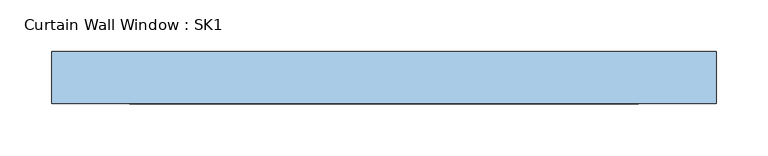
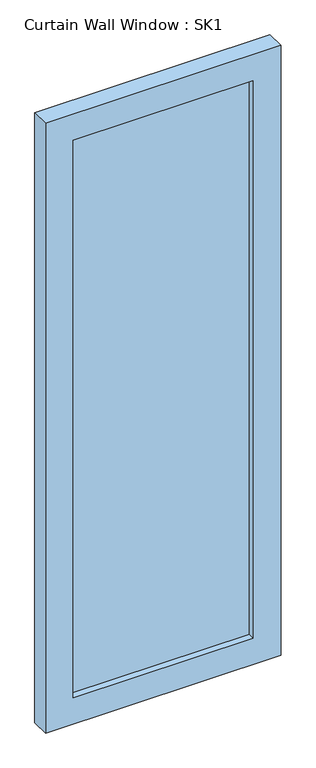
"""IFC4 building model written with IfcOpenShell, lengths in millimetres: window geometry, Curtain Wall Window : SK1."""

from ifc_helpers import new_model, si_unit, frame, origin, place, context, project, spatial, polyline, outline, extrude, source, transform, mapped, element, save


def curtain_wall_window_sk1_c700bb3d(model_context):
    return source(origin(), model_context, "Body", "SweptSolid", [
        extrude(outline(polyline([(244.8318148, -44.05), (244.8318148, -56.75), (-244.8318148, -56.75), (-244.8318148, -44.05), (244.8318148, -44.05)])), frame((0.0, 0.0, 75.0), z_axis=(0.0, 0.0, 1.0), x_axis=(1.0, 0.0, 0.0)), (0.0, 0.0, 1.0), 1600.0),
        extrude(outline(polyline([(1750.0, -319.8318148), (0.0, -319.8318148), (0.0, 319.8318148), (1750.0, 319.8318148), (1750.0, -319.8318148)]), holes=[polyline([(1675.0, -244.8318148), (1675.0, 244.8318148), (75.0, 244.8318148), (75.0, -244.8318148), (1675.0, -244.8318148)])]), frame((0.0, -75.0, 0.0), z_axis=(0.0, 1.0, 0.0), x_axis=(0.0, 0.0, 1.0)), (0.0, 0.0, 1.0), 50.0),
    ])


if __name__ == "__main__":
    model = new_model("IFC4")
    model_context = context("Model", 3, world=origin())
    ifc_project = project(units=[si_unit("LENGTHUNIT", "METRE", prefix="MILLI")], contexts=[model_context])
    site = spatial("IfcSite", under=ifc_project)
    building = spatial("IfcBuilding", under=site)
    placement = place(None, origin())
    curtain_wall_window_sk1_shape = curtain_wall_window_sk1_c700bb3d(model_context)
    element("IfcWindow", 1, ObjectType="Curtain Wall Window : SK1", at=placement, inside=building, context=model_context, shape_type="MappedRepresentation", body=[
        mapped(curtain_wall_window_sk1_shape, transform((0.0, 0.0, 0.0), x_axis=(1.0, 0.0, 0.0), y_axis=(0.0, 1.0, 0.0), z_axis=(0.0, 0.0, 1.0))),
    ])
    save(model, "model.ifc")
